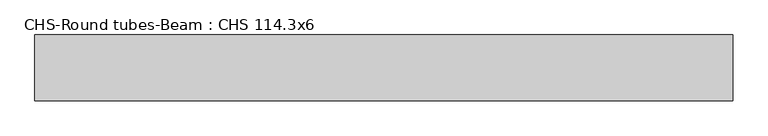
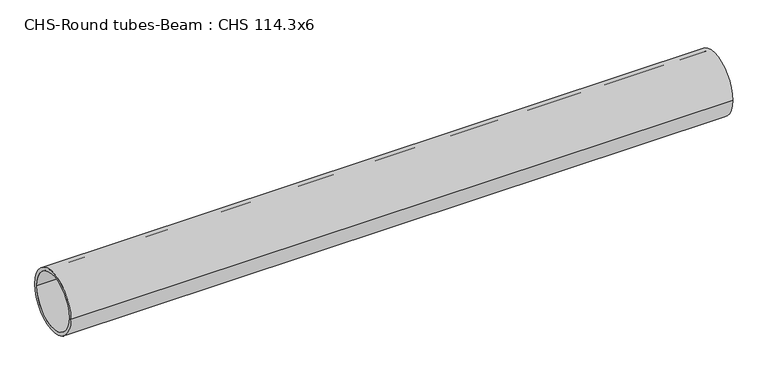
"""IFC4 building model written with IfcOpenShell, lengths in millimetres: beam geometry, CHS-Round tubes-Beam : CHS 114.3x6."""

from ifc_helpers import new_model, si_unit, point, frame, origin, origin_2d, place, context, project, spatial, circle_curve, trimmed, segment, composite_curve, outline, extrude, source, transform, mapped, element, save


def chs_round_tubes_beam_chs_114_3x6_5b6b87d3(model_context):
    return source(origin(), model_context, "Body", "SweptSolid", [
        extrude(outline(composite_curve([segment(trimmed(circle_curve(origin_2d(), 57.15), [point((57.15, 0.0))], [point((-57.15, 0.0))], False, "CARTESIAN"), True, "CONTINUOUS"), segment(trimmed(circle_curve(origin_2d(), 57.15), [point((-57.15, 0.0))], [point((57.15, 0.0))], False, "CARTESIAN"), True, "CONTINUOUS")], self_intersect=False), holes=[composite_curve([segment(trimmed(circle_curve(origin_2d(), 51.15), [point((51.15, 0.0))], [point((-51.15, 0.0))], True, "CARTESIAN"), True, "CONTINUOUS"), segment(trimmed(circle_curve(origin_2d(), 51.15), [point((-51.15, 0.0))], [point((51.15, 0.0))], True, "CARTESIAN"), True, "CONTINUOUS")], self_intersect=False)]), frame((-490.7652658, 0.0, 0.0), z_axis=(1.0, 0.0, 0.0), x_axis=(0.0, 1.0, 0.0)), (0.0, 0.0, 1.0), 1213.6036779),
    ])


if __name__ == "__main__":
    model = new_model("IFC4")
    model_context = context("Model", 3, world=origin())
    ifc_project = project(units=[si_unit("LENGTHUNIT", "METRE", prefix="MILLI")], contexts=[model_context])
    site = spatial("IfcSite", under=ifc_project)
    building = spatial("IfcBuilding", under=site)
    placement = place(None, origin())
    chs_round_tubes_beam_chs_114_3x6_shape = chs_round_tubes_beam_chs_114_3x6_5b6b87d3(model_context)
    element("IfcBeam", 1, ObjectType="CHS-Round tubes-Beam : CHS 114.3x6", at=placement, inside=building, context=model_context, shape_type="MappedRepresentation", body=[
        mapped(chs_round_tubes_beam_chs_114_3x6_shape, transform((0.0, 0.0, 0.0), x_axis=(1.0, 0.0, 0.0), y_axis=(0.0, 1.0, 0.0), z_axis=(0.0, 0.0, 1.0))),
    ])
    save(model, "model.ifc")
